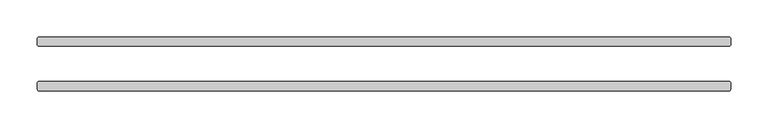
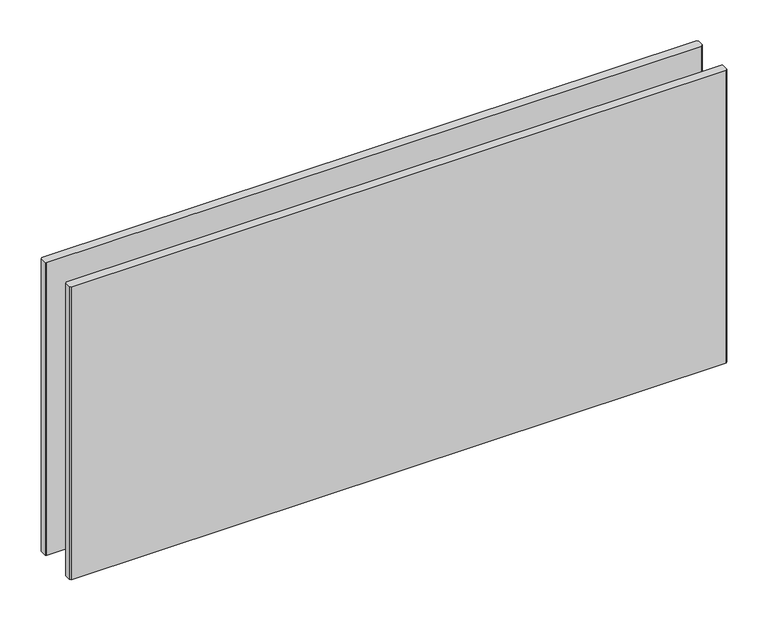
"""IFC4 building model written with IfcOpenShell, lengths in millimetres: plate geometry."""

from ifc_helpers import new_model, si_unit, origin, origin_with_axes, place, context, project, spatial, polyline, outline, extrude, source, transform, mapped, element, save


def plate_cc9449e3(model_context):
    return source(origin(), model_context, "Body", "SweptSolid", [
        extrude(outline(polyline([(466.725, -23.8125), (468.3125, -25.4), (468.3125, -34.925), (466.725, -36.5125), (-466.725, -36.5125), (-468.3125, -34.925), (-468.3125, -25.4), (-466.725, -23.8125), (466.725, -23.8125)])), origin_with_axes(), (0.0, 0.0, 1.0), 441.2289267),
        extrude(outline(polyline([(466.725, 36.5125), (468.3125, 34.925), (468.3125, 25.4), (466.725, 23.8125), (-466.725, 23.8125), (-468.3125, 25.4), (-468.3125, 34.925), (-466.725, 36.5125), (466.725, 36.5125)])), origin_with_axes(), (0.0, 0.0, 1.0), 441.2289267),
    ])


if __name__ == "__main__":
    model = new_model("IFC4")
    model_context = context("Model", 3, world=origin())
    ifc_project = project(units=[si_unit("LENGTHUNIT", "METRE", prefix="MILLI")], contexts=[model_context])
    site = spatial("IfcSite", under=ifc_project)
    building = spatial("IfcBuilding", under=site)
    placement = place(None, origin())
    plate_shape = plate_cc9449e3(model_context)
    element("IfcPlate", 1, at=placement, inside=building, context=model_context, shape_type="MappedRepresentation", body=[
        mapped(plate_shape, transform((0.0, 0.0, 0.0), x_axis=(1.0, 0.0, 0.0), y_axis=(0.0, 1.0, 0.0), z_axis=(0.0, 0.0, 1.0))),
    ])
    save(model, "model.ifc")
